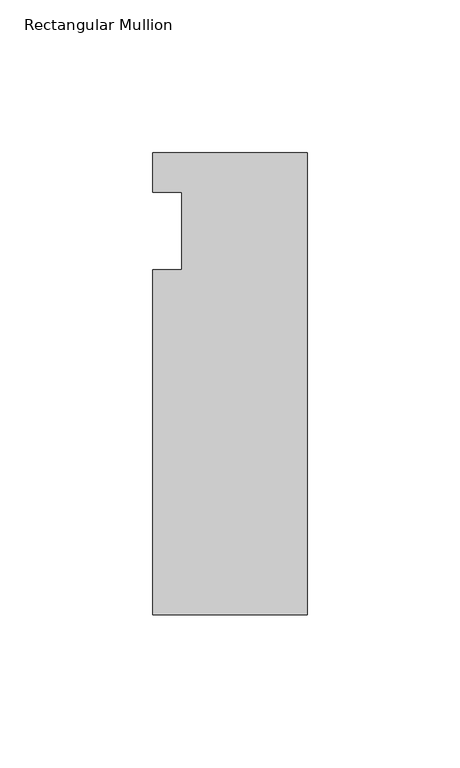
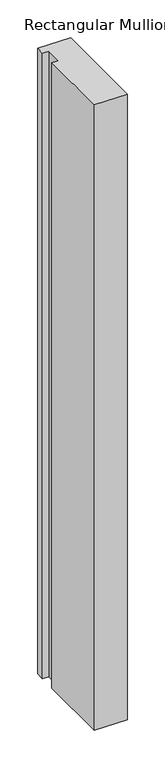
"""IFC4 building model written with IfcOpenShell, lengths in millimetres: member geometry, Rectangular Mullion."""

from ifc_helpers import new_model, si_unit, frame, origin, place, context, project, spatial, polyline, outline, extrude, source, transform, mapped, element, save


def rectangular_mullion_60839583(model_context):
    return source(origin(), model_context, "Body", "SweptSolid", [
        extrude(outline(polyline([(-50.8, 25.7961253), (0.0, 25.7961253), (0.0, -125.8036906), (-50.8, -125.8036906), (-50.8, -12.7), (-41.275, -12.7), (-41.275, 12.7), (-50.8, 12.7), (-50.8, 25.7961253)])), frame((0.0, 0.0, -1017.16492), z_axis=(0.0, 0.0, 1.0), x_axis=(1.0, 0.0, 0.0)), (0.0, 0.0, 1.0), 1017.16492),
    ])


if __name__ == "__main__":
    model = new_model("IFC4")
    model_context = context("Model", 3, world=origin())
    ifc_project = project(units=[si_unit("LENGTHUNIT", "METRE", prefix="MILLI")], contexts=[model_context])
    site = spatial("IfcSite", under=ifc_project)
    building = spatial("IfcBuilding", under=site)
    placement = place(None, origin())
    rectangular_mullion_shape = rectangular_mullion_60839583(model_context)
    element("IfcMember", 1, ObjectType="Rectangular Mullion", at=placement, inside=building, context=model_context, shape_type="MappedRepresentation", body=[
        mapped(rectangular_mullion_shape, transform((0.0, 0.0, 0.0), x_axis=(1.0, 0.0, 0.0), y_axis=(0.0, 1.0, 0.0), z_axis=(0.0, 0.0, 1.0))),
    ])
    save(model, "model.ifc")
